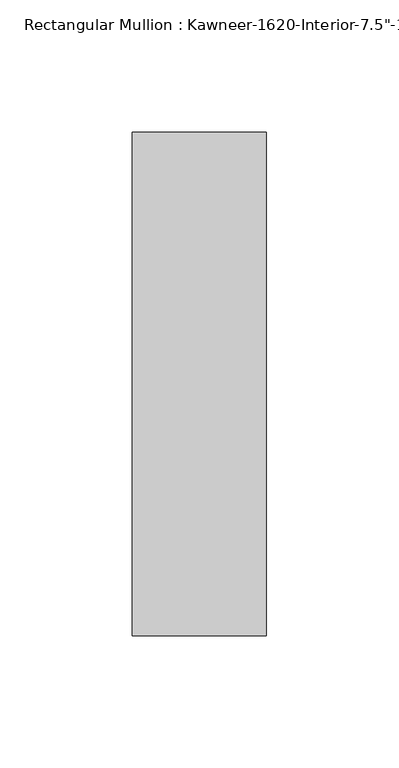
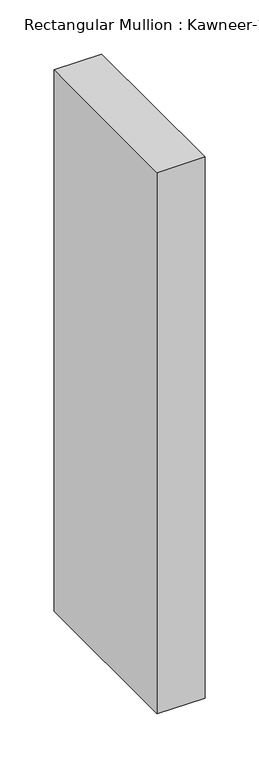
"""IFC4 building model written with IfcOpenShell, lengths in millimetres: member geometry."""

from ifc_helpers import new_model, si_unit, frame, origin, place, context, project, spatial, polyline, outline, extrude, source, transform, mapped, element, save


def member_798504bb(model_context):
    return source(origin(), model_context, "Body", "SweptSolid", [
        extrude(outline(polyline([(25.4, -161.925), (-25.4, -161.925), (-25.4, 28.575), (25.4, 28.575), (25.4, -161.925)])), frame((0.0, 0.0, -609.6), z_axis=(0.0, 0.0, 1.0), x_axis=(1.0, 0.0, 0.0)), (0.0, 0.0, 1.0), 609.6),
    ])


if __name__ == "__main__":
    model = new_model("IFC4")
    model_context = context("Model", 3, world=origin())
    ifc_project = project(units=[si_unit("LENGTHUNIT", "METRE", prefix="MILLI")], contexts=[model_context])
    site = spatial("IfcSite", under=ifc_project)
    building = spatial("IfcBuilding", under=site)
    placement = place(None, origin())
    member_shape = member_798504bb(model_context)
    element("IfcMember", 1, ObjectType="Rectangular Mullion : Kawneer-1620-Interior-7.5\"-1/4\"Infill", at=placement, inside=building, context=model_context, shape_type="MappedRepresentation", body=[
        mapped(member_shape, transform((0.0, 0.0, 0.0), x_axis=(1.0, 0.0, 0.0), y_axis=(0.0, 1.0, 0.0), z_axis=(0.0, 0.0, 1.0))),
    ])
    save(model, "model.ifc")
